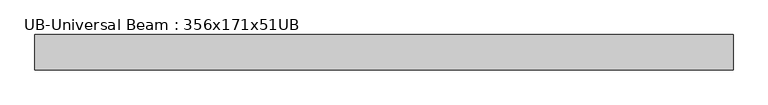
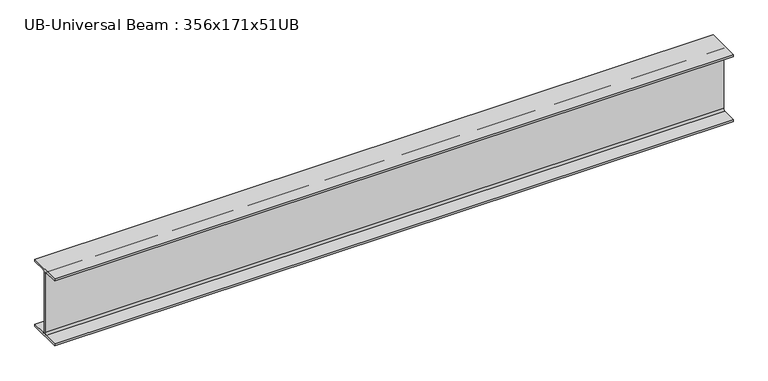
"""IFC4 building model written with IfcOpenShell, lengths in millimetres: beam geometry, UB-Universal Beam : 356x171x51UB."""

from ifc_helpers import new_model, si_unit, point, frame, frame_2d, origin, place, context, project, spatial, polyline, circle_curve, trimmed, segment, composite_curve, outline, extrude, source, transform, mapped, element, save


def ub_universal_beam_356x171x51ub_4d0aef0e(model_context):
    return source(origin(), model_context, "Body", "SweptSolid", [
        extrude(outline(composite_curve([segment(polyline([(85.75, -166.0), (85.75, -177.5), (-85.75, -177.5), (-85.75, -166.0), (-13.9, -166.0)]), True, "CONTINUOUS"), segment(trimmed(circle_curve(frame_2d((-13.9, -155.8)), 10.2), [point((-13.9, -166.0))], [point((-3.7, -155.8))], True, "CARTESIAN"), True, "CONTINUOUS"), segment(polyline([(-3.7, -155.8), (-3.7, 155.8)]), True, "CONTINUOUS"), segment(trimmed(circle_curve(frame_2d((-13.9, 155.8)), 10.2), [point((-3.7, 155.8))], [point((-13.9, 166.0))], True, "CARTESIAN"), True, "CONTINUOUS"), segment(polyline([(-13.9, 166.0), (-85.75, 166.0), (-85.75, 177.5), (85.75, 177.5), (85.75, 166.0), (13.9, 166.0)]), True, "CONTINUOUS"), segment(trimmed(circle_curve(frame_2d((13.9, 155.8)), 10.2), [point((13.9, 166.0))], [point((3.7, 155.8))], True, "CARTESIAN"), True, "CONTINUOUS"), segment(polyline([(3.7, 155.8), (3.7, -155.8)]), True, "CONTINUOUS"), segment(trimmed(circle_curve(frame_2d((13.9, -155.8)), 10.2), [point((3.7, -155.8))], [point((13.9, -166.0))], True, "CARTESIAN"), True, "CONTINUOUS"), segment(polyline([(13.9, -166.0), (85.75, -166.0)]), True, "CONTINUOUS")], self_intersect=False)), frame((-1695.2147547, 0.0, 0.0), z_axis=(1.0, 0.0, 0.0), x_axis=(0.0, 1.0, 0.0)), (0.0, 0.0, 1.0), 3390.4295093),
    ])


if __name__ == "__main__":
    model = new_model("IFC4")
    model_context = context("Model", 3, world=origin())
    ifc_project = project(units=[si_unit("LENGTHUNIT", "METRE", prefix="MILLI")], contexts=[model_context])
    site = spatial("IfcSite", under=ifc_project)
    building = spatial("IfcBuilding", under=site)
    placement = place(None, origin())
    ub_universal_beam_356x171x51ub_shape = ub_universal_beam_356x171x51ub_4d0aef0e(model_context)
    element("IfcBeam", 1, ObjectType="UB-Universal Beam : 356x171x51UB", at=placement, inside=building, context=model_context, shape_type="MappedRepresentation", body=[
        mapped(ub_universal_beam_356x171x51ub_shape, transform((0.0, 0.0, 0.0), x_axis=(1.0, 0.0, 0.0), y_axis=(0.0, 1.0, 0.0), z_axis=(0.0, 0.0, 1.0))),
    ])
    save(model, "model.ifc")
